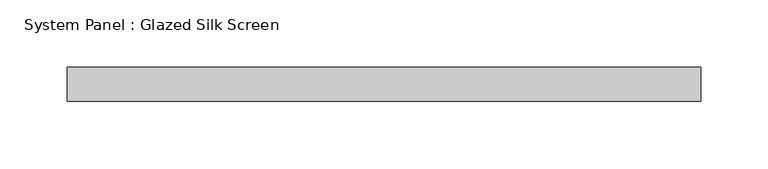
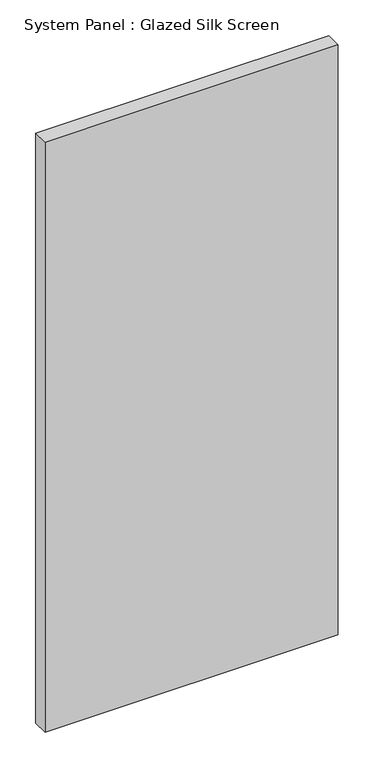
"""IFC4 building model written with IfcOpenShell, lengths in millimetres: plate geometry, System Panel : Glazed Silk Screen."""

from ifc_helpers import new_model, si_unit, origin, origin_with_axes, place, context, project, spatial, polyline, outline, extrude, source, transform, mapped, element, save


def system_panel_glazed_silk_screen_87d4b113(model_context):
    return source(origin(), model_context, "Body", "SweptSolid", [
        extrude(outline(polyline([(235.8353234, 19.05), (-235.8353234, 19.05), (-235.8353234, 44.45), (235.8353234, 44.45), (235.8353234, 19.05)])), origin_with_axes(), (0.0, 0.0, 1.0), 1003.3),
    ])


if __name__ == "__main__":
    model = new_model("IFC4")
    model_context = context("Model", 3, world=origin())
    ifc_project = project(units=[si_unit("LENGTHUNIT", "METRE", prefix="MILLI")], contexts=[model_context])
    site = spatial("IfcSite", under=ifc_project)
    building = spatial("IfcBuilding", under=site)
    placement = place(None, origin())
    system_panel_glazed_silk_screen_shape = system_panel_glazed_silk_screen_87d4b113(model_context)
    element("IfcPlate", 1, ObjectType="System Panel : Glazed Silk Screen", at=placement, inside=building, context=model_context, shape_type="MappedRepresentation", body=[
        mapped(system_panel_glazed_silk_screen_shape, transform((0.0, 0.0, 0.0), x_axis=(1.0, 0.0, 0.0), y_axis=(0.0, 1.0, 0.0), z_axis=(0.0, 0.0, 1.0))),
    ])
    save(model, "model.ifc")
